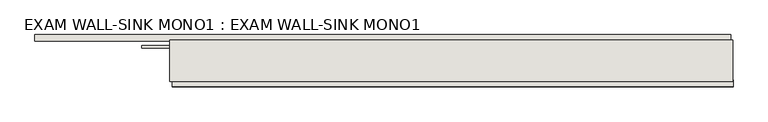
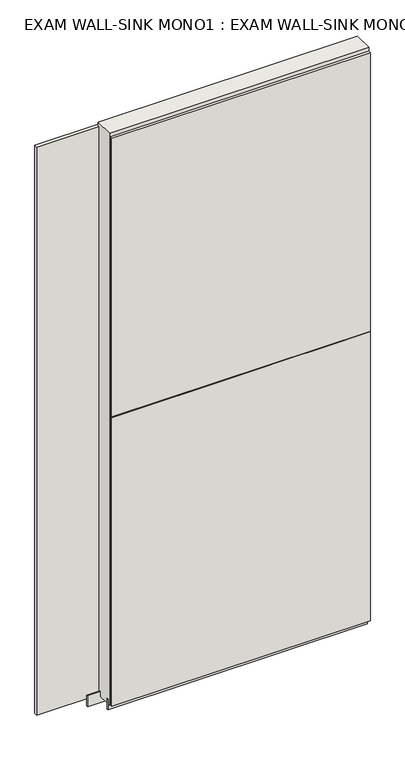
"""IFC4 building model written with IfcOpenShell, lengths in millimetres: wall geometry, EXAM WALL-SINK MONO1 : EXAM WALL-SINK MONO1."""

from ifc_helpers import new_model, si_unit, frame, origin, place, context, project, spatial, polyline, outline, extrude, source, transform, mapped, element, save


def exam_wall_sink_mono1_exam_wall_sink_mono1_c9aeed36(model_context):
    return source(origin(), model_context, "Body", "SweptSolid", [
        extrude(outline(polyline([(63032.3621748, -45023.6474684), (63029.8221748, -45023.6474684), (63029.8221748, -45021.1074684), (63032.3621748, -45021.1074684), (63032.3621748, -45023.6474684)])), frame((0.0, 0.0, 4419.6), z_axis=(0.0, 0.0, 1.0), x_axis=(1.0, 0.0, 0.0)), (0.0, 0.0, 1.0), 2.54),
        extrude(outline(polyline([(61669.4436916, -44971.5774684), (63027.8999536, -44971.5774684), (63027.8999536, -44984.2774684), (61669.4436916, -44984.2774684), (61669.4436916, -44971.5774684)])), frame((0.0, 0.0, 4445.0), z_axis=(0.0, 0.0, 1.0), x_axis=(1.0, 0.0, 0.0)), (0.0, 0.0, 1.0), 2545.0498756),
        extrude(outline(polyline([(63032.8319097, -45073.1774684), (61937.3757059, -45073.1774684), (61937.3757059, -45060.4774684), (63032.8319097, -45060.4774684), (63032.8319097, -45073.1774684)])), frame((0.0, 0.0, 4445.0), z_axis=(0.0, 0.0, 1.0), x_axis=(1.0, 0.0, 0.0)), (0.0, 0.0, 1.0), 1293.400004),
        extrude(outline(polyline([(63032.8319097, -45073.1774684), (61937.3757059, -45073.1774684), (61937.3757059, -45060.4774684), (63032.8319097, -45060.4774684), (63032.8319097, -45073.1774684)])), frame((0.0, 0.0, 5742.4000722), z_axis=(0.0, 0.0, 1.0), x_axis=(1.0, 0.0, 0.0)), (0.0, 0.0, 1.0), 1247.649905),
        extrude(outline(polyline([(63032.3634194, -44997.2937238), (61877.5998158, -44997.2937238), (61877.5998158, -44992.2149684), (63032.3634194, -44992.2149684), (63032.3634194, -44997.2937238)])), frame((0.0, 0.0, 4418.6602), z_axis=(0.0, 0.0, 1.0), x_axis=(1.0, 0.0, 0.0)), (0.0, 0.0, 1.0), 47.625),
        extrude(outline(polyline([(63032.3634194, -44997.2937238), (61877.5998158, -44997.2937238), (61877.5998158, -44992.2149684), (63032.3634194, -44992.2149684), (63032.3634194, -44997.2937238)])), frame((0.0, 0.0, 4418.6602), z_axis=(0.0, 0.0, 1.0), x_axis=(1.0, 0.0, 0.0)), (0.0, 0.0, 1.0), 47.625),
        extrude(outline(polyline([(61932.8956666, -45047.4581142), (63032.3634194, -45047.4581142), (63032.3634194, -45052.5399684), (61932.8956666, -45052.5399684), (61932.8956666, -45047.4581142)])), frame((0.0, 0.0, 4418.6602), z_axis=(0.0, 0.0, 1.0), x_axis=(1.0, 0.0, 0.0)), (0.0, 0.0, 1.0), 47.625),
        extrude(outline(polyline([(61932.8956666, -45047.4581142), (63032.3634194, -45047.4581142), (63032.3634194, -45052.5399684), (61932.8956666, -45052.5399684), (61932.8956666, -45047.4581142)])), frame((0.0, 0.0, 4418.6602), z_axis=(0.0, 0.0, 1.0), x_axis=(1.0, 0.0, 0.0)), (0.0, 0.0, 1.0), 47.625),
        extrude(outline(polyline([(63032.3634194, -44981.7504986), (63032.3634194, -45063.029254), (61932.8956666, -45063.029254), (61932.8956666, -44981.7504986), (63032.3634194, -44981.7504986)])), frame((0.0, 0.0, 4445.0), z_axis=(0.0, 0.0, 1.0), x_axis=(1.0, 0.0, 0.0)), (0.0, 0.0, 1.0), 2562.4536762),
    ])


if __name__ == "__main__":
    model = new_model("IFC4")
    model_context = context("Model", 3, world=origin())
    ifc_project = project(units=[si_unit("LENGTHUNIT", "METRE", prefix="MILLI")], contexts=[model_context])
    site = spatial("IfcSite", under=ifc_project)
    building = spatial("IfcBuilding", under=site)
    placement = place(None, origin())
    exam_wall_sink_mono1_exam_wall_sink_mono1_shape = exam_wall_sink_mono1_exam_wall_sink_mono1_c9aeed36(model_context)
    element("IfcWall", 1, ObjectType="EXAM WALL-SINK MONO1 : EXAM WALL-SINK MONO1", at=placement, inside=building, context=model_context, shape_type="MappedRepresentation", body=[
        mapped(exam_wall_sink_mono1_exam_wall_sink_mono1_shape, transform((0.0, 0.0, 0.0), x_axis=(1.0, 0.0, 0.0), y_axis=(0.0, 1.0, 0.0), z_axis=(0.0, 0.0, 1.0))),
    ])
    save(model, "model.ifc")
